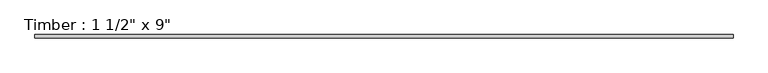
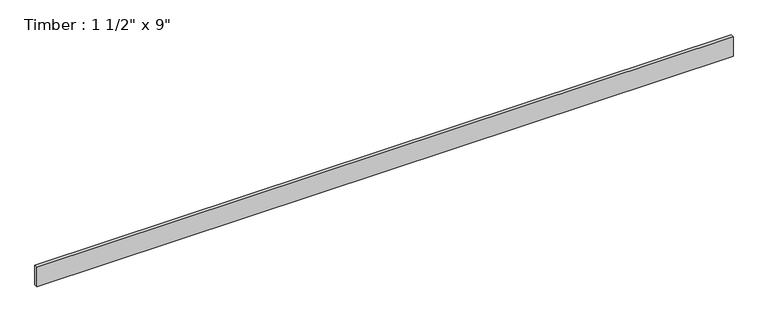
"""IFC4 building model written with IfcOpenShell, lengths in millimetres: beam geometry."""

from ifc_helpers import new_model, si_unit, frame, origin, place, context, project, spatial, polyline, outline, extrude, source, transform, mapped, element, save


def beam_9239de81(model_context):
    return source(origin(), model_context, "Body", "SweptSolid", [
        extrude(outline(polyline([(3892.1449084, 19.05), (3892.1449084, -19.05), (-3892.1449084, -19.05), (-3892.1449084, 19.05), (3892.1449084, 19.05)])), frame((0.0, 0.0, -114.3), z_axis=(0.0, 0.0, 1.0), x_axis=(1.0, 0.0, 0.0)), (0.0, 0.0, 1.0), 228.6),
    ])


if __name__ == "__main__":
    model = new_model("IFC4")
    model_context = context("Model", 3, world=origin())
    ifc_project = project(units=[si_unit("LENGTHUNIT", "METRE", prefix="MILLI")], contexts=[model_context])
    site = spatial("IfcSite", under=ifc_project)
    building = spatial("IfcBuilding", under=site)
    placement = place(None, origin())
    beam_shape = beam_9239de81(model_context)
    element("IfcBeam", 1, ObjectType="Timber : 1 1/2\" x 9\"", at=placement, inside=building, context=model_context, shape_type="MappedRepresentation", body=[
        mapped(beam_shape, transform((0.0, 0.0, 0.0), x_axis=(1.0, 0.0, 0.0), y_axis=(0.0, 1.0, 0.0), z_axis=(0.0, 0.0, 1.0))),
    ])
    save(model, "model.ifc")
